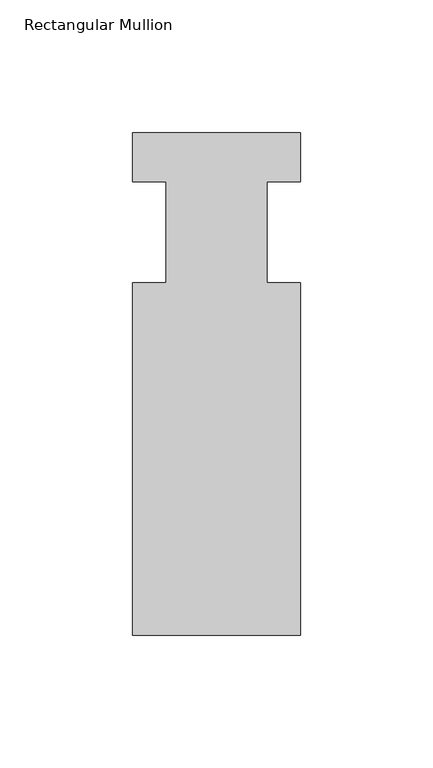
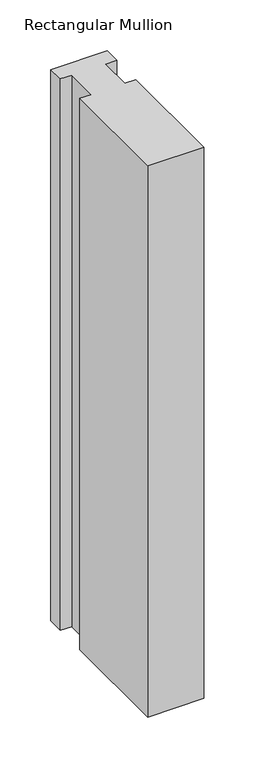
"""IFC4 building model written with IfcOpenShell, lengths in millimetres: member geometry, Rectangular Mullion."""

from ifc_helpers import new_model, si_unit, frame, origin, place, context, project, spatial, polyline, outline, extrude, source, transform, mapped, element, save


def rectangular_mullion_6584450c(model_context):
    return source(origin(), model_context, "Body", "SweptSolid", [
        extrude(outline(polyline([(31.75, -151.9936), (-31.75, -151.9936), (-31.75, -19.05), (-19.05, -19.05), (-19.05, 19.05), (-31.75, 19.05), (-31.75, 37.6936), (31.75, 37.6936), (31.75, 19.05), (19.0499746, 19.05), (19.0499746, -19.05), (31.75, -19.05), (31.75, -151.9936)])), frame((0.0, 0.0, -660.3599742), z_axis=(0.0, 0.0, 1.0), x_axis=(1.0, 0.0, 0.0)), (0.0, 0.0, 1.0), 660.3599742),
    ])


if __name__ == "__main__":
    model = new_model("IFC4")
    model_context = context("Model", 3, world=origin())
    ifc_project = project(units=[si_unit("LENGTHUNIT", "METRE", prefix="MILLI")], contexts=[model_context])
    site = spatial("IfcSite", under=ifc_project)
    building = spatial("IfcBuilding", under=site)
    placement = place(None, origin())
    rectangular_mullion_shape = rectangular_mullion_6584450c(model_context)
    element("IfcMember", 1, ObjectType="Rectangular Mullion", at=placement, inside=building, context=model_context, shape_type="MappedRepresentation", body=[
        mapped(rectangular_mullion_shape, transform((0.0, 0.0, 0.0), x_axis=(1.0, 0.0, 0.0), y_axis=(0.0, 1.0, 0.0), z_axis=(0.0, 0.0, 1.0))),
    ])
    save(model, "model.ifc")
